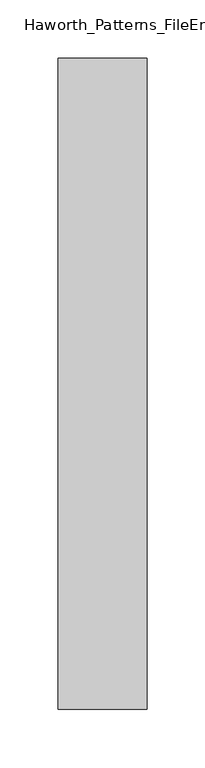
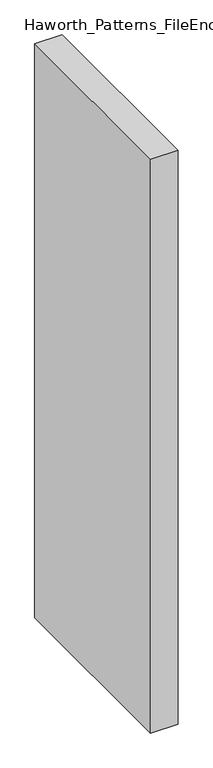
"""IFC4 building model written with IfcOpenShell, lengths in millimetres: furniture geometry, Haworth_Patterns_FileEnclosureVertical : 66.5h 22d."""

from ifc_helpers import new_model, si_unit, origin, origin_with_axes, place, context, project, spatial, polyline, outline, extrude, source, transform, mapped, element, save


def haworth_patterns_fileenclosurevertical_66_5h_22d_4e7fff90(model_context):
    return source(origin(), model_context, "Body", "SweptSolid", [
        extrude(outline(polyline([(-38.1, 0.0), (38.1, 0.0), (38.1, -558.8), (-38.1, -558.8), (-38.1, 0.0)])), origin_with_axes(), (0.0, 0.0, 1.0), 1689.1),
        extrude(outline(polyline([(38.1, 0.0), (38.1, -558.8), (-38.1, -558.8), (-38.1, 0.0), (38.1, 0.0)])), origin_with_axes(), (0.0, 0.0, 1.0), 1689.1),
    ])


if __name__ == "__main__":
    model = new_model("IFC4")
    model_context = context("Model", 3, world=origin())
    ifc_project = project(units=[si_unit("LENGTHUNIT", "METRE", prefix="MILLI")], contexts=[model_context])
    site = spatial("IfcSite", under=ifc_project)
    building = spatial("IfcBuilding", under=site)
    placement = place(None, origin())
    haworth_patterns_fileenclosurevertical_66_5h_22d_shape = haworth_patterns_fileenclosurevertical_66_5h_22d_4e7fff90(model_context)
    element("IfcFurniture", 1, ObjectType="Haworth_Patterns_FileEnclosureVertical : 66.5h 22d", at=placement, inside=building, context=model_context, shape_type="MappedRepresentation", body=[
        mapped(haworth_patterns_fileenclosurevertical_66_5h_22d_shape, transform((0.0, 0.0, 0.0), x_axis=(1.0, 0.0, 0.0), y_axis=(0.0, 1.0, 0.0), z_axis=(0.0, 0.0, 1.0))),
    ])
    save(model, "model.ifc")
